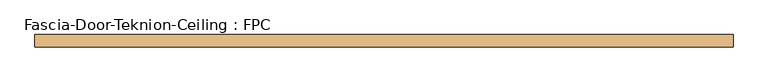
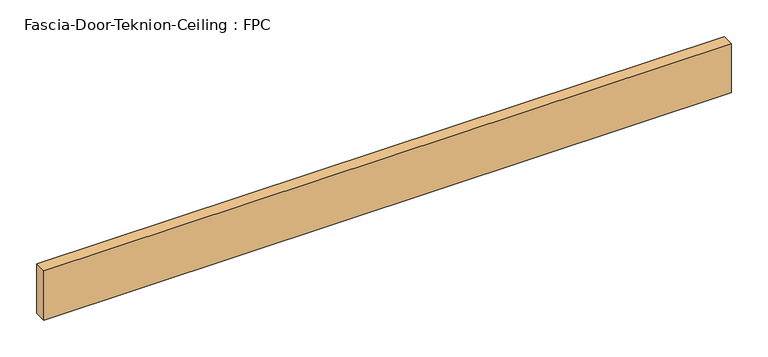
"""IFC4 building model written with IfcOpenShell, lengths in millimetres: door geometry, Fascia-Door-Teknion-Ceiling : FPC."""

from ifc_helpers import new_model, si_unit, origin, origin_with_axes, place, context, project, spatial, polyline, outline, extrude, source, transform, mapped, element, save


def fascia_door_teknion_ceiling_fpc_5290212c(model_context):
    return source(origin(), model_context, "Body", "SweptSolid", [
        extrude(outline(polyline([(537.8152344, 0.0), (537.8152344, -19.05), (-537.8152344, -19.05), (-537.8152344, 0.0), (537.8152344, 0.0)])), origin_with_axes(), (0.0, 0.0, 1.0), 81.28),
    ])


if __name__ == "__main__":
    model = new_model("IFC4")
    model_context = context("Model", 3, world=origin())
    ifc_project = project(units=[si_unit("LENGTHUNIT", "METRE", prefix="MILLI")], contexts=[model_context])
    site = spatial("IfcSite", under=ifc_project)
    building = spatial("IfcBuilding", under=site)
    placement = place(None, origin())
    fascia_door_teknion_ceiling_fpc_shape = fascia_door_teknion_ceiling_fpc_5290212c(model_context)
    element("IfcDoor", 1, ObjectType="Fascia-Door-Teknion-Ceiling : FPC", at=placement, inside=building, context=model_context, shape_type="MappedRepresentation", body=[
        mapped(fascia_door_teknion_ceiling_fpc_shape, transform((0.0, 0.0, 0.0), x_axis=(1.0, 0.0, 0.0), y_axis=(0.0, 1.0, 0.0), z_axis=(0.0, 0.0, 1.0))),
    ])
    save(model, "model.ifc")
